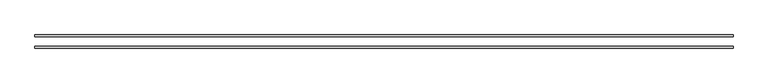
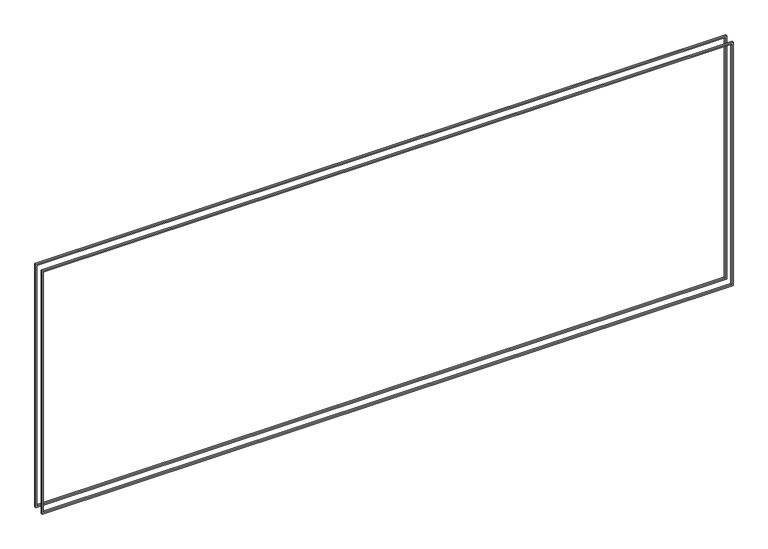
"""IFC4 building model written with IfcOpenShell, lengths in millimetres: proxy geometry."""

from ifc_helpers import new_model, si_unit, frame, origin, place, context, project, spatial, polyline, outline, extrude, source, transform, mapped, element, save


def generic_models_131a60b9(model_context):
    return source(origin(), model_context, "Body", "SweptSolid", [
        extrude(outline(polyline([(2392.3625, -649.2875), (26.9875, -649.2875), (26.9875, 5697.5375), (2392.3625, 5697.5375), (2392.3625, -649.2875)]), holes=[polyline([(2378.075, 5683.25), (41.275, 5683.25), (41.275, -635.0), (2378.075, -635.0), (2378.075, 5683.25)])]), frame((0.0, -59.53125, 0.0), z_axis=(0.0, 1.0, 0.0), x_axis=(0.0, 0.0, 1.0)), (0.0, 0.0, 1.0), 15.08125),
        extrude(outline(polyline([(26.9875, 5697.5375), (2392.3625, 5697.5375), (2392.3625, -649.2875), (26.9875, -649.2875), (26.9875, 5697.5375)]), holes=[polyline([(41.275, -635.0), (2378.075, -635.0), (2378.075, 5683.25), (41.275, 5683.25), (41.275, -635.0)])]), frame((0.0, 44.45, 0.0), z_axis=(0.0, 1.0, 0.0), x_axis=(0.0, 0.0, 1.0)), (0.0, 0.0, 1.0), 15.08125),
    ])


if __name__ == "__main__":
    model = new_model("IFC4")
    model_context = context("Model", 3, world=origin())
    ifc_project = project(units=[si_unit("LENGTHUNIT", "METRE", prefix="MILLI")], contexts=[model_context])
    site = spatial("IfcSite", under=ifc_project)
    building = spatial("IfcBuilding", under=site)
    placement = place(None, origin())
    generic_models_shape = generic_models_131a60b9(model_context)
    element("IfcBuildingElementProxy", 1, Name="Generic Models", at=placement, inside=building, context=model_context, shape_type="MappedRepresentation", body=[
        mapped(generic_models_shape, transform((0.0, 0.0, 0.0), x_axis=(1.0, 0.0, 0.0), y_axis=(0.0, 1.0, 0.0), z_axis=(0.0, 0.0, 1.0))),
    ])
    save(model, "model.ifc")
